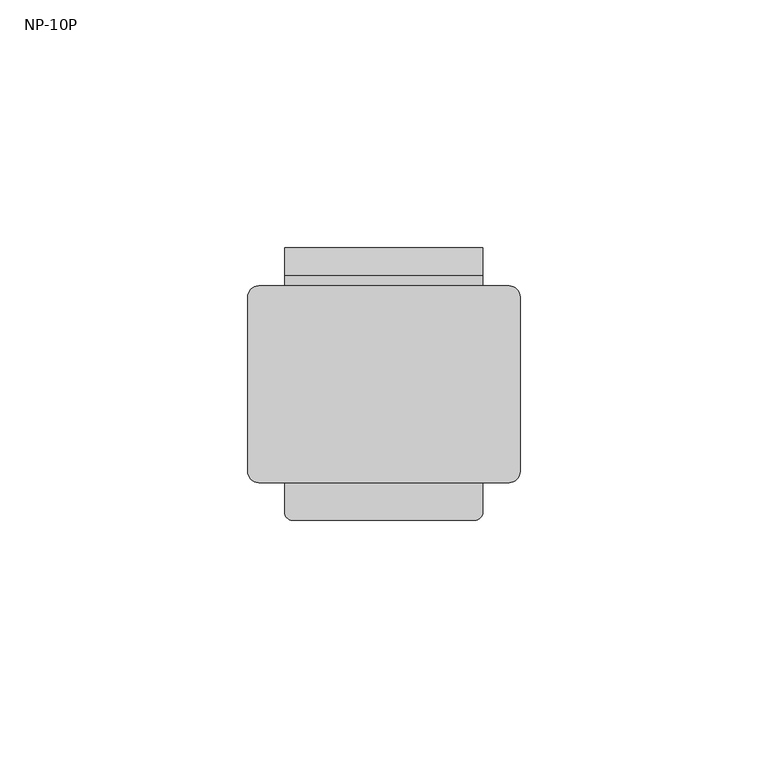
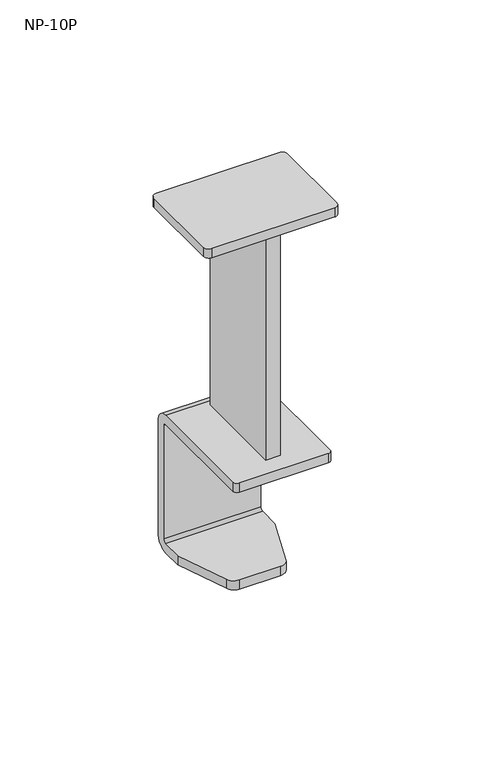
"""IFC4 building model written with IfcOpenShell, lengths in millimetres: furniture geometry, NP-10P."""

from ifc_helpers import new_model, si_unit, point, frame, frame_2d, origin, place, context, project, spatial, polyline, circle_curve, trimmed, segment, composite_curve, outline, extrude, source, transform, mapped, element, save
from ifc_brep_helpers import plane_surface, cylinder_surface, revolved_surface, advanced_brep


def np_10p_61a9b7f5(model_context):
    return source(origin(), model_context, "Body", "SolidModel", [
        extrude(outline(composite_curve([segment(trimmed(circle_curve(frame_2d((25.3671405, -5.8828024)), 2.1828125), [point((25.3671405, -3.6999899))], [point((27.549953, -5.8828024))], False, "CARTESIAN"), True, "CONTINUOUS"), segment(polyline([(27.549953, -5.8828024), (27.549953, -41.2170979)]), True, "CONTINUOUS"), segment(trimmed(circle_curve(frame_2d((25.3671405, -41.2170979)), 2.1828125), [point((27.549953, -41.2170979))], [point((25.3671405, -43.3999104))], False, "CARTESIAN"), True, "CONTINUOUS"), segment(polyline([(25.3671405, -43.3999104), (-25.2671227, -43.3999104)]), True, "CONTINUOUS"), segment(trimmed(circle_curve(frame_2d((-25.2671227, -41.2170979)), 2.1828125), [point((-25.2671227, -43.3999104))], [point((-27.4499352, -41.2170979))], False, "CARTESIAN"), True, "CONTINUOUS"), segment(polyline([(-27.4499352, -41.2170979), (-27.4499352, -5.9009707)]), True, "CONTINUOUS"), segment(trimmed(circle_curve(frame_2d((-25.2489544, -5.9009707)), 2.2009808), [point((-27.4499352, -5.9009707))], [point((-25.2489544, -3.6999899))], False, "CARTESIAN"), True, "CONTINUOUS"), segment(polyline([(-25.2489544, -3.6999899), (25.3671405, -3.6999899)]), True, "CONTINUOUS")], self_intersect=False)), frame((0.0, 0.0, 836.6009697), z_axis=(0.0, 0.0, 1.0), x_axis=(1.0, 0.0, 0.0)), (0.0, 0.0, 1.0), 3.9999739),
        extrude(outline(polyline([(2.9500016, -3.6999899), (2.9500016, -43.3999104), (-3.0499955, -43.3999104), (-3.0499955, -3.6999899), (2.9500016, -3.6999899)])), frame((0.0, 0.0, 740.6010881), z_axis=(0.0, 0.0, 1.0), x_axis=(1.0, 0.0, 0.0)), (0.0, 0.0, 1.0), 95.9998816),
        advanced_brep(
        [(19.9999675, -1.5710319, 680.6012621), (19.9999675, 3.9999943, 686.1722883), (19.9999675, 3.9999943, 735.0448381), (19.9999675, -1.5562557, 740.6010881), (19.9999675, -49.4123962, 740.6010881), (19.9999675, -49.4123962, 736.6011143), (19.9999675, -1.1717488, 736.6011143), (19.9999675, 0.0, 735.4293655), (19.9999675, 0.0, 685.8302682), (19.9999675, -1.2290323, 684.601236), (19.9999675, -9.999979, 684.601236), (19.9999675, -9.999979, 680.6012621), (-19.9999675, -1.2290323, 684.601236), (-19.9999675, 0.0, 685.8302682), (-19.9999675, 0.0, 735.4293655), (-19.9999675, -1.1717488, 736.6011143), (-19.9999675, -49.4123962, 736.6011143), (-19.9999675, -49.4123962, 740.6010881), (-19.9999675, -1.5562557, 740.6010881), (-19.9999675, 3.9999943, 735.0448381), (-19.9999675, 3.9999943, 686.1722883), (-19.9999675, -1.5710319, 680.6012621), (-19.9999675, -9.999979, 680.6012621), (-19.9999675, -9.999979, 684.601236), (-12.194263, -31.4459386, 684.601236), (-8.4648579, -34.0572962, 684.601236), (8.4648579, -34.0572962, 684.601236), (12.194263, -31.4459386, 684.601236), (12.194263, -31.4459386, 680.6012621), (8.4648579, -34.0572962, 680.6012621), (-8.4648579, -34.0572962, 680.6012621), (-12.194263, -31.4459386, 680.6012621), (-18.4124675, -50.9998962, 740.6010881), (18.4124675, -50.9998962, 740.6010881), (18.4124675, -50.9998962, 736.6011143), (-18.4124675, -50.9998962, 736.6011143)],
        [
            (0, 1, circle_curve(frame((19.9999675, -1.5710319, 686.1722883), z_axis=(1.0, 0.0, 0.0), x_axis=(0.0, -1.0, 0.0)), 5.5710262)),
            (1, 2),
            (2, 3, circle_curve(frame((19.9999675, -1.5562557, 735.0448381), z_axis=(1.0, 0.0, 0.0), x_axis=(0.0, -1.0, 0.0)), 5.55625)),
            (3, 4),
            (4, 5),
            (5, 6),
            (6, 7, circle_curve(frame((19.9999675, -1.1717488, 735.4293655), z_axis=(-1.0, 0.0, 0.0), x_axis=(0.0, -1.0, 0.0)), 1.1717488)),
            (7, 8),
            (8, 9, circle_curve(frame((19.9999675, -1.2290323, 685.8302682), z_axis=(-1.0, 0.0, 0.0), x_axis=(0.0, -1.0, 0.0)), 1.2290323)),
            (9, 10),
            (10, 11),
            (11, 0),
            (12, 13, circle_curve(frame((-19.9999675, -1.2290323, 685.8302682), z_axis=(1.0, 0.0, 0.0), x_axis=(0.0, -1.0, 0.0)), 1.2290323)),
            (13, 14),
            (14, 15, circle_curve(frame((-19.9999675, -1.1717488, 735.4293655), z_axis=(1.0, 0.0, 0.0), x_axis=(0.0, -1.0, 0.0)), 1.1717488)),
            (15, 16),
            (16, 17),
            (17, 18),
            (18, 19, circle_curve(frame((-19.9999675, -1.5562557, 735.0448381), z_axis=(-1.0, 0.0, 0.0), x_axis=(0.0, -1.0, 0.0)), 5.55625)),
            (19, 20),
            (20, 21, circle_curve(frame((-19.9999675, -1.5710319, 686.1722883), z_axis=(-1.0, 0.0, 0.0), x_axis=(0.0, -1.0, 0.0)), 5.5710262)),
            (21, 22),
            (22, 23),
            (23, 12),
            (9, 12),
            (23, 24),
            (24, 25, circle_curve(frame((-8.4648579, -30.0885462, 684.601236), z_axis=(0.0, 0.0, 1.0), x_axis=(1.0, 0.0, 0.0)), 3.96875)),
            (25, 26),
            (26, 27, circle_curve(frame((8.4648579, -30.0885462, 684.601236), z_axis=(0.0, 0.0, 1.0), x_axis=(1.0, 0.0, 0.0)), 3.96875)),
            (27, 10),
            (21, 0),
            (11, 28),
            (28, 29, circle_curve(frame((8.4648579, -30.0885462, 680.6012621), z_axis=(0.0, 0.0, -1.0), x_axis=(1.0, 0.0, 0.0)), 3.96875)),
            (29, 30),
            (30, 31, circle_curve(frame((-8.4648579, -30.0885462, 680.6012621), z_axis=(0.0, 0.0, -1.0), x_axis=(1.0, 0.0, 0.0)), 3.96875)),
            (31, 22),
            (20, 1),
            (19, 2),
            (18, 3),
            (17, 32, circle_curve(frame((-18.4124675, -49.4123962, 740.6010881), z_axis=(0.0, 0.0, 1.0), x_axis=(1.0, 0.0, 0.0)), 1.5875)),
            (32, 33),
            (33, 4, circle_curve(frame((18.4124675, -49.4123962, 740.6010881), z_axis=(0.0, 0.0, 1.0), x_axis=(1.0, 0.0, 0.0)), 1.5875)),
            (5, 34, circle_curve(frame((18.4124675, -49.4123962, 736.6011143), z_axis=(0.0, 0.0, -1.0), x_axis=(1.0, 0.0, 0.0)), 1.5875)),
            (34, 35),
            (35, 16, circle_curve(frame((-18.4124675, -49.4123962, 736.6011143), z_axis=(0.0, 0.0, -1.0), x_axis=(1.0, 0.0, 0.0)), 1.5875)),
            (15, 6),
            (14, 7),
            (13, 8),
            (24, 31),
            (30, 25),
            (29, 26),
            (28, 27),
            (35, 32),
            (34, 33),
        ],
        [
            plane_surface(frame((19.9999675, -6.9192907, 684.601236), z_axis=(1.0, 0.0, 0.0), x_axis=(0.0, -1.0, 0.0))),
            plane_surface(frame((-19.9999675, -6.9192907, 684.601236), z_axis=(-1.0, 0.0, 0.0), x_axis=(0.0, 1.0, 0.0))),
            plane_surface(frame((19.9999675, -1.2290323, 684.601236), z_axis=(0.0, 0.0, 1.0), x_axis=(-1.0, 0.0, 0.0))),
            plane_surface(frame((19.9999675, -6.9192907, 680.6012621), z_axis=(0.0, 0.0, -1.0), x_axis=(-1.0, 0.0, 0.0))),
            cylinder_surface(frame((-19.9999675, -1.5710319, 686.1722883), z_axis=(1.0, 0.0, 0.0), x_axis=(0.0, -1.0, 0.0)), 5.5710262),
            plane_surface(frame((19.9999675, 3.9999943, 686.1722883), z_axis=(0.0, 1.0, 0.0), x_axis=(-1.0, 0.0, 0.0))),
            cylinder_surface(frame((-19.9999675, -1.5562557, 735.0448381), z_axis=(1.0, 0.0, 0.0), x_axis=(0.0, -1.0, 0.0)), 5.55625),
            plane_surface(frame((19.9999675, -1.5562557, 740.6010881), z_axis=(0.0, 0.0, 1.0), x_axis=(-1.0, 0.0, 0.0))),
            plane_surface(frame((19.9999675, -29.1964111, 736.6011143), z_axis=(0.0, 0.0, -1.0), x_axis=(-1.0, 0.0, 0.0))),
            revolved_surface(polyline([(-19.9999675, -2.3434976, 735.4293655), (19.9999675, -2.3434976, 735.4293655)]), (-19.9999675, -1.1717488, 735.4293655), (-1.0, 0.0, 0.0)),
            plane_surface(frame((19.9999675, 0.0, 735.4293655), z_axis=(0.0, -1.0, 0.0), x_axis=(-1.0, 0.0, 0.0))),
            revolved_surface(polyline([(-19.9999675, -2.4580646, 685.8302682), (19.9999675, -2.4580646, 685.8302682)]), (-19.9999675, -1.2290323, 685.8302682), (-1.0, 0.0, 0.0)),
            cylinder_surface(frame((-8.4648579, -30.0885462, 680.6012621), z_axis=(0.0, 0.0, 1.0), x_axis=(1.0, 0.0, 0.0)), 3.96875),
            plane_surface(frame((-8.4648579, -34.0572962, 684.601236), z_axis=(0.0, -1.0, 0.0), x_axis=(0.0, 0.0, -1.0))),
            cylinder_surface(frame((8.4648579, -30.0885462, 680.6012621), z_axis=(0.0, 0.0, 1.0), x_axis=(1.0, 0.0, 0.0)), 3.96875),
            plane_surface(frame((12.194263, -31.4459386, 684.601236), z_axis=(0.9396926207859091, -0.3420201433256669, 0.0), x_axis=(0.0, 0.0, -1.0))),
            plane_surface(frame((-19.9999539, -9.999979, 684.601236), z_axis=(-0.9396926207859091, -0.3420201433256669, 0.0), x_axis=(0.0, 0.0, -1.0))),
            cylinder_surface(frame((-18.4124675, -49.4123962, 736.6011143), z_axis=(0.0, 0.0, 1.0), x_axis=(1.0, 0.0, 0.0)), 1.5875),
            plane_surface(frame((-18.4124675, -50.9998962, 740.6010881), z_axis=(0.0, -1.0, 0.0), x_axis=(0.0, 0.0, -1.0))),
            cylinder_surface(frame((18.4124675, -49.4123962, 736.6011143), z_axis=(0.0, 0.0, 1.0), x_axis=(1.0, 0.0, 0.0)), 1.5875),
        ],
        [
            (0, [[1, 2, 3, 4, 5, 6, 7, 8, 9, 10, 11, 12]]),
            (1, [[13, 14, 15, 16, 17, 18, 19, 20, 21, 22, 23, 24]]),
            (2, [[25, -24, 26, 27, 28, 29, 30, -10]]),
            (3, [[31, -12, 32, 33, 34, 35, 36, -22]]),
            (4, [[-1, -31, -21, 37]]),
            (5, [[-2, -37, -20, 38]]),
            (6, [[-3, -38, -19, 39]]),
            (7, [[-4, -39, -18, 40, 41, 42]]),
            (8, [[-6, 43, 44, 45, -16, 46]]),
            (9, [[-7, -46, -15, 47]]),
            (10, [[-8, -47, -14, 48]]),
            (11, [[-9, -48, -13, -25]]),
            (12, [[-27, 49, -35, 50]]),
            (13, [[-28, -50, -34, 51]]),
            (14, [[-29, -51, -33, 52]]),
            (15, [[-30, -52, -32, -11]]),
            (16, [[-26, -23, -36, -49]]),
            (17, [[-40, -17, -45, 53]]),
            (18, [[-41, -53, -44, 54]]),
            (19, [[-42, -54, -43, -5]]),
        ],
    ),
    ])


if __name__ == "__main__":
    model = new_model("IFC4")
    model_context = context("Model", 3, world=origin())
    ifc_project = project(units=[si_unit("LENGTHUNIT", "METRE", prefix="MILLI")], contexts=[model_context])
    site = spatial("IfcSite", under=ifc_project)
    building = spatial("IfcBuilding", under=site)
    placement = place(None, origin())
    np_10p_shape = np_10p_61a9b7f5(model_context)
    element("IfcFurniture", 1, ObjectType="NP-10P", at=placement, inside=building, context=model_context, shape_type="MappedRepresentation", body=[
        mapped(np_10p_shape, transform((0.0, 0.0, 0.0), x_axis=(1.0, 0.0, 0.0), y_axis=(0.0, 1.0, 0.0), z_axis=(0.0, 0.0, 1.0))),
    ])
    save(model, "model.ifc")
